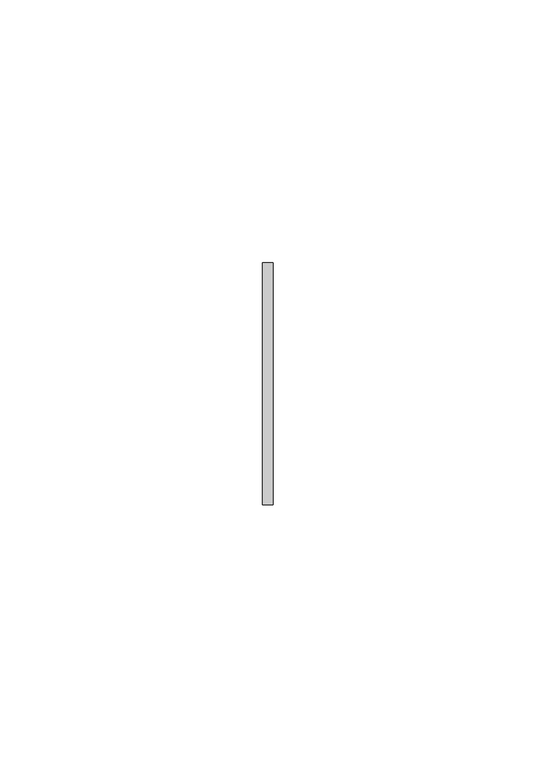
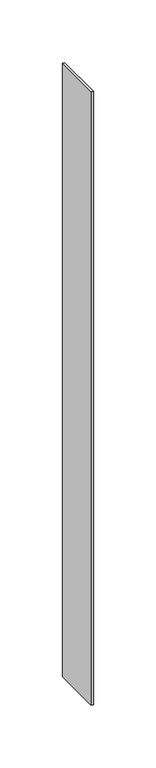
"""IFC4 building model written with IfcOpenShell, lengths in millimetres: member geometry."""

from ifc_helpers import new_model, si_unit, frame, origin, place, context, project, spatial, polyline, outline, extrude, source, transform, mapped, element, save


def member_02a4fb00(model_context):
    return source(origin(), model_context, "Body", "SweptSolid", [
        extrude(outline(polyline([(1.0, 23.0), (1.0, -23.0), (-1.0, -23.0), (-1.0, 23.0), (1.0, 23.0)])), frame((0.0, 0.0, -598.0000003), z_axis=(0.0, 0.0, 1.0), x_axis=(1.0, 0.0, 0.0)), (0.0, 0.0, 1.0), 598.0000003),
    ])


if __name__ == "__main__":
    model = new_model("IFC4")
    model_context = context("Model", 3, world=origin())
    ifc_project = project(units=[si_unit("LENGTHUNIT", "METRE", prefix="MILLI")], contexts=[model_context])
    site = spatial("IfcSite", under=ifc_project)
    building = spatial("IfcBuilding", under=site)
    placement = place(None, origin())
    member_shape = member_02a4fb00(model_context)
    element("IfcMember", 1, at=placement, inside=building, context=model_context, shape_type="MappedRepresentation", body=[
        mapped(member_shape, transform((0.0, 0.0, 0.0), x_axis=(1.0, 0.0, 0.0), y_axis=(0.0, 1.0, 0.0), z_axis=(0.0, 0.0, 1.0))),
    ])
    save(model, "model.ifc")
